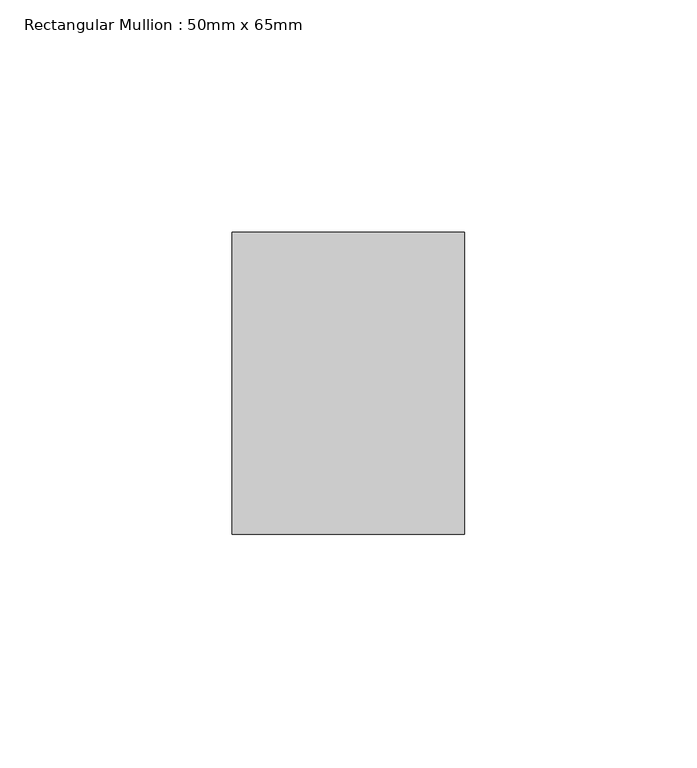
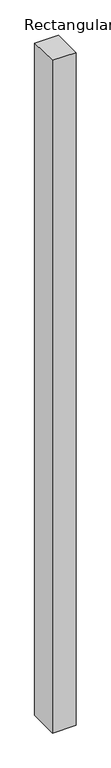
"""IFC4 building model written with IfcOpenShell, lengths in millimetres: member geometry, Rectangular Mullion : 50mm x 65mm."""

from ifc_helpers import new_model, si_unit, origin, place, context, project, spatial, faceted_brep, source, transform, mapped, element, save


def rectangular_mullion_50mm_x_65mm_76d1cfc2(model_context):
    return source(origin(), model_context, "Body", "Brep", [
        faceted_brep([(-25.0, 32.5, -0.4966783), (25.0, 32.5, -0.4966774), (25.0, 32.5, -1499.5924157), (-25.0, 32.5, -1499.5924149), (-25.0, -32.5, 0.4966774), (-25.0, -32.5, -1500.407067), (25.0, -32.5, 0.4966783), (25.0, -32.5, -1500.4070678)], [[[0, 1, 2, 3]], [[4, 0, 3, 5]], [[6, 4, 5, 7]], [[1, 6, 7, 2]], [[1, 0, 4, 6]], [[2, 7, 5, 3]]]),
    ])


if __name__ == "__main__":
    model = new_model("IFC4")
    model_context = context("Model", 3, world=origin())
    ifc_project = project(units=[si_unit("LENGTHUNIT", "METRE", prefix="MILLI")], contexts=[model_context])
    site = spatial("IfcSite", under=ifc_project)
    building = spatial("IfcBuilding", under=site)
    placement = place(None, origin())
    rectangular_mullion_50mm_x_65mm_shape = rectangular_mullion_50mm_x_65mm_76d1cfc2(model_context)
    element("IfcMember", 1, ObjectType="Rectangular Mullion : 50mm x 65mm", at=placement, inside=building, context=model_context, shape_type="MappedRepresentation", body=[
        mapped(rectangular_mullion_50mm_x_65mm_shape, transform((0.0, 0.0, 0.0), x_axis=(1.0, 0.0, 0.0), y_axis=(0.0, 1.0, 0.0), z_axis=(0.0, 0.0, 1.0))),
    ])
    save(model, "model.ifc")
